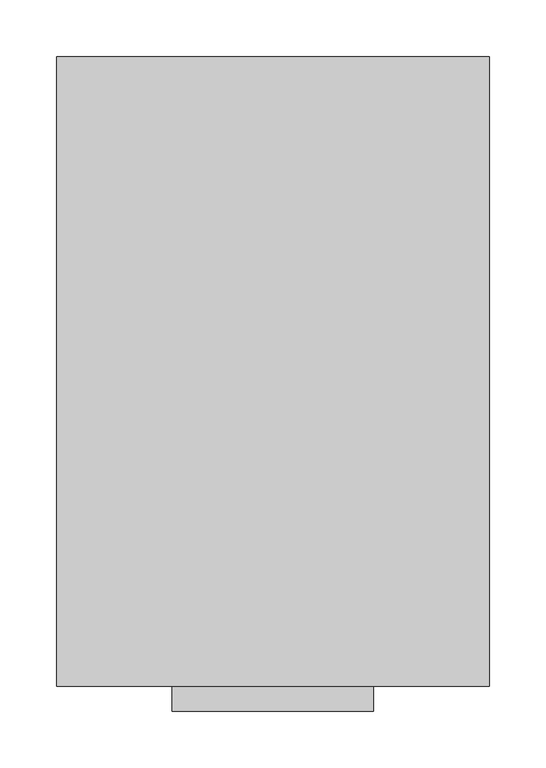
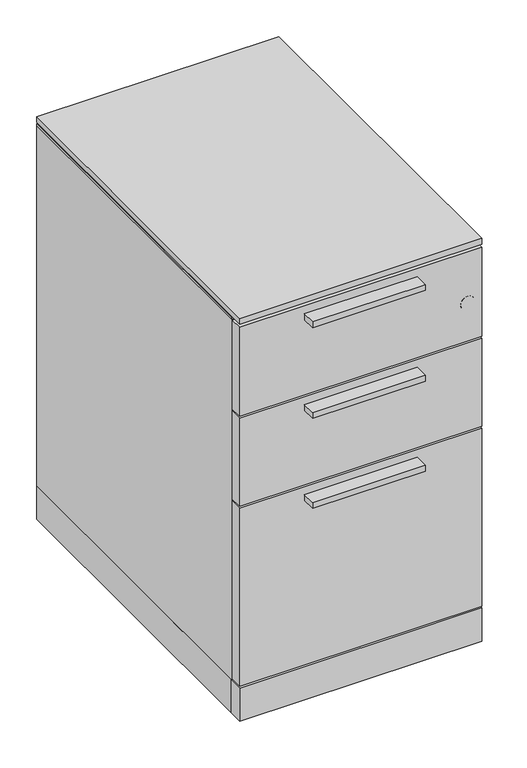
"""IFC4 building model written with IfcOpenShell, lengths in millimetres: furniture geometry."""

from ifc_helpers import new_model, si_unit, point, frame, frame_2d, origin, origin_with_axes, place, context, project, spatial, polyline, circle_curve, trimmed, segment, composite_curve, outline, extrude, faceted_brep, source, transform, mapped, element, save


def furniture_d23a3087(model_context):
    return source(origin(), model_context, "Body", "SolidModel", [
        extrude(outline(polyline([(279.9842, -22.225), (102.1842, -22.225), (102.1842, 0.0), (279.9842, 0.0), (279.9842, -22.225)])), frame((0.0, 0.0, 486.639235), z_axis=(0.0, 0.0, 1.0), x_axis=(1.0, 0.0, 0.0)), (0.0, 0.0, 1.0), 9.525),
        extrude(outline(polyline([(279.9842, -22.225), (102.1842, -22.225), (102.1842, 0.0), (279.9842, 0.0), (279.9842, -22.225)])), frame((0.0, 0.0, 336.525235), z_axis=(0.0, 0.0, 1.0), x_axis=(1.0, 0.0, 0.0)), (0.0, 0.0, 1.0), 9.525),
        extrude(outline(polyline([(279.9842, -22.225), (102.1842, -22.225), (102.1842, 0.0), (279.9842, 0.0), (279.9842, -22.225)])), frame((0.0, 0.0, 638.277235), z_axis=(0.0, 0.0, 1.0), x_axis=(1.0, 0.0, 0.0)), (0.0, 0.0, 1.0), 9.525),
        extrude(outline(polyline([(0.0, 555.625), (382.1684, 555.625), (382.1684, 22.0726), (0.0, 22.0726), (0.0, 555.625)])), frame((0.0, 0.0, 660.7302), z_axis=(0.0, 0.0, 1.0), x_axis=(1.0, 0.0, 0.0)), (0.0, 0.0, 1.0), 3.175),
        extrude(outline(polyline([(0.0, 20.2819), (382.1684, 20.2819), (382.1684, 0.0), (0.0, 0.0), (0.0, 20.2819)])), frame((0.0, 0.0, 512.2672), z_axis=(0.0, 0.0, 1.0), x_axis=(1.0, 0.0, 0.0)), (0.0, 0.0, 1.0), 148.463),
        extrude(outline(polyline([(0.0, 20.2819), (382.1684, 20.2819), (382.1684, 0.0), (0.0, 0.0), (0.0, 20.2819)])), frame((0.0, 0.0, 362.1532), z_axis=(0.0, 0.0, 1.0), x_axis=(1.0, 0.0, 0.0)), (0.0, 0.0, 1.0), 146.939),
        extrude(outline(polyline([(0.0, 20.2819), (382.1684, 20.2819), (382.1684, 0.0), (0.0, 0.0), (0.0, 20.2819)])), frame((0.0, 0.0, 61.9252), z_axis=(0.0, 0.0, 1.0), x_axis=(1.0, 0.0, 0.0)), (0.0, 0.0, 1.0), 297.053),
        extrude(outline(polyline([(382.1684, 23.0632), (382.1684, 0.0), (0.0, 0.0), (0.0, 23.0632), (382.1684, 23.0632)])), frame((0.0, 0.0, 3.5814), z_axis=(0.0, 0.0, 1.0), x_axis=(1.0, 0.0, 0.0)), (0.0, 0.0, 1.0), 55.1688),
        extrude(outline(polyline([(382.1684, 0.0), (0.0, 0.0), (0.0, 555.625), (382.1684, 555.625), (382.1684, 0.0)])), frame((0.0, 0.0, 666.0642), z_axis=(0.0, 0.0, 1.0), x_axis=(1.0, 0.0, 0.0)), (0.0, 0.0, 1.0), 9.525),
        extrude(outline(polyline([(382.1684, 555.625), (382.1684, 23.0632), (0.0, 23.0632), (0.0, 555.625), (382.1684, 555.625)])), frame((0.0, 0.0, 3.5814), z_axis=(0.0, 0.0, 1.0), x_axis=(1.0, 0.0, 0.0)), (0.0, 0.0, 1.0), 55.1688),
        faceted_brep([(382.1684, 555.625, 660.7302), (382.1684, 555.625, 58.7502), (0.0, 555.625, 58.7502), (0.0, 555.625, 660.7302), (0.0, 22.0726, 660.7302), (382.1684, 22.0726, 660.7302), (0.0, 22.0726, 58.7502), (382.1684, 22.0726, 58.7502), (362.8644, 22.0726, 58.7502), (362.8644, 536.321, 58.7502), (19.304, 536.321, 58.7502), (19.304, 22.0726, 58.7502), (362.8644, 536.321, 641.4262), (19.304, 536.321, 641.4262), (362.8644, 22.0726, 641.4262), (19.304, 22.0726, 641.4262)], [[[0, 1, 2, 3]], [[0, 3, 4, 5]], [[3, 2, 6, 4]], [[2, 1, 7, 8, 9, 10, 11, 6]], [[1, 0, 5, 7]], [[12, 13, 10, 9]], [[13, 12, 14, 15]], [[10, 13, 15, 11]], [[12, 9, 8, 14]], [[5, 4, 6, 11, 15, 14, 8, 7]]]),
        extrude(outline(polyline([(44.5897, 529.4376), (60.2488, 520.3968144), (60.2488, 502.3152432), (44.5897, 493.2744576), (28.9306, 502.3152432), (28.9306, 520.3968144), (44.5897, 529.4376)])), origin_with_axes(), (0.0, 0.0, 1.0), 8.4328),
        extrude(outline(polyline([(44.5897, 26.1874), (28.9306, 35.2281856), (28.9306, 53.3097568), (44.5897, 62.3505424), (60.2488, 53.3097568), (60.2488, 35.2281856), (44.5897, 26.1874)])), origin_with_axes(), (0.0, 0.0, 1.0), 8.4328),
        extrude(outline(polyline([(337.5787, 529.4376), (353.2378, 520.3968144), (353.2378, 502.3152432), (337.5787, 493.2744576), (321.9196, 502.3152432), (321.9196, 520.3968144), (337.5787, 529.4376)])), origin_with_axes(), (0.0, 0.0, 1.0), 8.4328),
        extrude(outline(polyline([(337.5787, 26.1874), (321.9196, 35.2281856), (321.9196, 53.3097568), (337.5787, 62.3505424), (353.2378, 53.3097568), (353.2378, 35.2281856), (337.5787, 26.1874)])), origin_with_axes(), (0.0, 0.0, 1.0), 8.4328),
        extrude(outline(composite_curve([segment(trimmed(circle_curve(frame_2d((576.28028, 359.4481)), 11.176), [point((576.28028, 370.6241))], [point((576.28028, 348.2721))], False, "CARTESIAN"), True, "CONTINUOUS"), segment(trimmed(circle_curve(frame_2d((576.28028, 359.4481)), 11.176), [point((576.28028, 348.2721))], [point((576.28028, 370.6241))], False, "CARTESIAN"), True, "CONTINUOUS")], self_intersect=False)), frame((0.0, -0.254, 0.0), z_axis=(0.0, 1.0, 0.0), x_axis=(0.0, 0.0, 1.0)), (0.0, 0.0, 1.0), 4.69392),
    ])


if __name__ == "__main__":
    model = new_model("IFC4")
    model_context = context("Model", 3, world=origin())
    ifc_project = project(units=[si_unit("LENGTHUNIT", "METRE", prefix="MILLI")], contexts=[model_context])
    site = spatial("IfcSite", under=ifc_project)
    building = spatial("IfcBuilding", under=site)
    placement = place(None, origin())
    furniture_shape = furniture_d23a3087(model_context)
    element("IfcFurniture", 1, at=placement, inside=building, context=model_context, shape_type="MappedRepresentation", body=[
        mapped(furniture_shape, transform((0.0, 0.0, 0.0), x_axis=(1.0, 0.0, 0.0), y_axis=(0.0, 1.0, 0.0), z_axis=(0.0, 0.0, 1.0))),
    ])
    save(model, "model.ifc")
